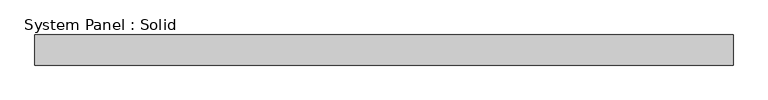
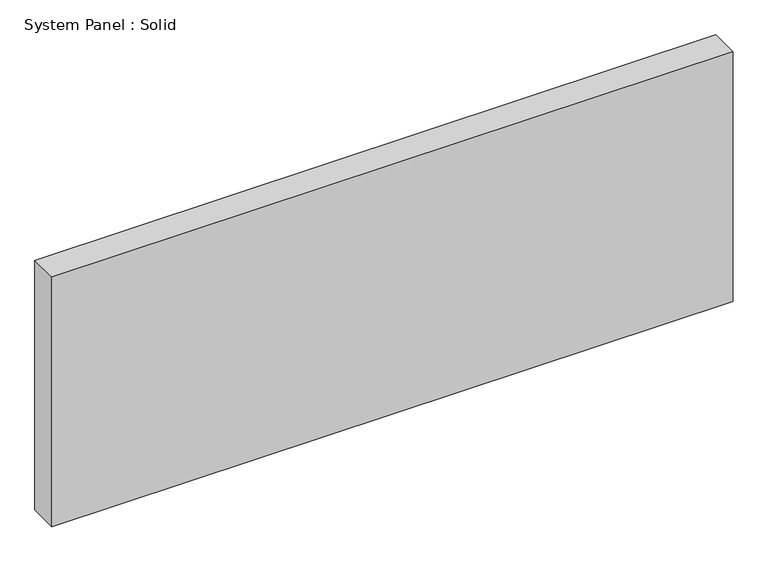
"""IFC4 building model written with IfcOpenShell, lengths in millimetres: plate geometry, System Panel : Solid."""

from ifc_helpers import new_model, si_unit, origin, origin_with_axes, place, context, project, spatial, polyline, outline, extrude, source, transform, mapped, element, save


def system_panel_solid_c6a1f7d5(model_context):
    return source(origin(), model_context, "Body", "SweptSolid", [
        extrude(outline(polyline([(736.6, -19.05), (-736.6, -19.05), (-736.6, 44.45), (736.6, 44.45), (736.6, -19.05)])), origin_with_axes(), (0.0, 0.0, 1.0), 571.5),
    ])


if __name__ == "__main__":
    model = new_model("IFC4")
    model_context = context("Model", 3, world=origin())
    ifc_project = project(units=[si_unit("LENGTHUNIT", "METRE", prefix="MILLI")], contexts=[model_context])
    site = spatial("IfcSite", under=ifc_project)
    building = spatial("IfcBuilding", under=site)
    placement = place(None, origin())
    system_panel_solid_shape = system_panel_solid_c6a1f7d5(model_context)
    element("IfcPlate", 1, ObjectType="System Panel : Solid", at=placement, inside=building, context=model_context, shape_type="MappedRepresentation", body=[
        mapped(system_panel_solid_shape, transform((0.0, 0.0, 0.0), x_axis=(1.0, 0.0, 0.0), y_axis=(0.0, 1.0, 0.0), z_axis=(0.0, 0.0, 1.0))),
    ])
    save(model, "model.ifc")
